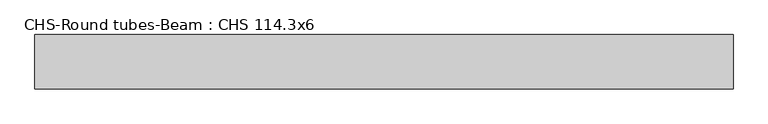
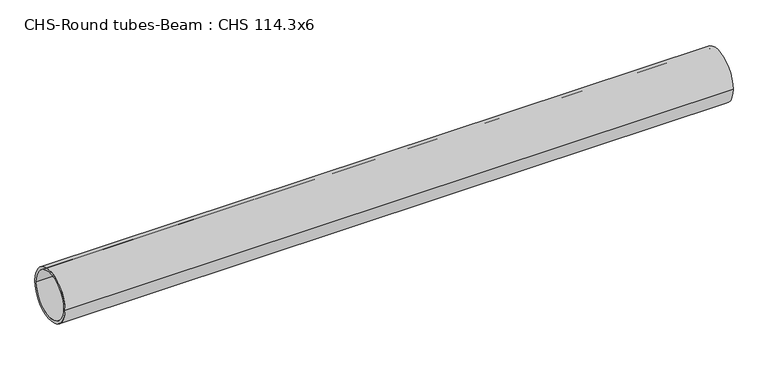
"""IFC4 building model written with IfcOpenShell, lengths in millimetres: beam geometry, CHS-Round tubes-Beam : CHS 114.3x6."""

import ifcopenshell
import ifcopenshell.guid

model = None  # the IFC model being written
_history = None  # IfcOwnerHistory: only IFC2X3 demands one
_inside = {}  # id of a spatial element -> (the spatial element, [elements in it])
_under = {}  # id of a project, library or spatial element -> (it, [spatial elements below it])
_declared = {}  # id of a project -> (the project, [libraries it declares])
_typed = {}  # id of a type object -> (the type object, [elements of that type])
_made_of = {}  # id of a material, layer set ... -> (it, [elements and type objects made of it])


def new_model(schema):
    """Start an empty IFC model of exactly this schema.

    Asked for "IFC4X3", IfcOpenShell would pick the latest addendum, in which some entities
    have other attributes; the version numbers below select the first issue.
    IFC2X3 requires an IfcOwnerHistory on every rooted entity: one is made here for all.
    """
    global model, _history
    if schema == "IFC4X3":
        model = ifcopenshell.file(schema_version=(4, 3, 0, 0))
    else:
        model = ifcopenshell.file(schema=schema)
    _inside.clear()
    _under.clear()
    _declared.clear()
    _typed.clear()
    _made_of.clear()
    _history = None
    if model.schema == "IFC2X3":
        org = make("IfcOrganization", Name="unknown")
        user = make(
            "IfcPersonAndOrganization",
            ThePerson=make("IfcPerson", FamilyName="unknown"),
            TheOrganization=org,
        )
        app = make(
            "IfcApplication",
            ApplicationDeveloper=org,
            Version="unknown",
            ApplicationFullName="unknown",
            ApplicationIdentifier="unknown",
        )
        _history = make(
            "IfcOwnerHistory",
            OwningUser=user,
            OwningApplication=app,
            ChangeAction="ADDED",
            CreationDate=0,
        )
    return model


def make(cls, **values):
    """One entity of the class cls with the attributes given. An attribute that is None is left unset."""
    return model.create_entity(
        cls, **{name: value for name, value in values.items() if value is not None}
    )


def rooted(cls, **values):
    """An entity with a GlobalId (a new one), such as an element, a storey or a relation."""
    return make(cls, GlobalId=ifcopenshell.guid.new(), OwnerHistory=_history, **values)


def si_unit(unit_type, name, prefix=None):
    """IfcSIUnit, for example si_unit("LENGTHUNIT", "METRE", prefix="MILLI")."""
    return make("IfcSIUnit", UnitType=unit_type, Prefix=prefix, Name=name)


def assignment(units):
    """IfcUnitAssignment: the units of a project."""
    return None if units is None else make("IfcUnitAssignment", Units=units)


def point(xyz):
    """IfcCartesianPoint."""
    return None if xyz is None else make("IfcCartesianPoint", Coordinates=xyz)


def direction(xyz):
    """IfcDirection."""
    return None if xyz is None else make("IfcDirection", DirectionRatios=xyz)


def frame(location, z_axis=None, x_axis=None):
    """IfcAxis2Placement3D, a coordinate frame: its origin and axes. An axis left out is left unset."""
    return make(
        "IfcAxis2Placement3D",
        Location=point(location),
        Axis=direction(z_axis),
        RefDirection=direction(x_axis),
    )


def frame_2d(location, x_axis=None):
    """IfcAxis2Placement2D, a coordinate frame in the plane: its origin and x axis."""
    return make(
        "IfcAxis2Placement2D", Location=point(location), RefDirection=direction(x_axis)
    )


def origin():
    """The frame at (0, 0, 0) with its axes left unset."""
    return frame((0.0, 0.0, 0.0))


def origin_2d():
    """The frame at (0, 0) in the plane with its x axis left unset."""
    return frame_2d((0.0, 0.0))


def place(relative_to, where):
    """IfcLocalPlacement: puts the frame where relative to a parent placement (None: the world)."""
    return make(
        "IfcLocalPlacement", PlacementRelTo=relative_to, RelativePlacement=where
    )


def context(
    kind, dimensions, precision=None, world=None, true_north=None, identifier=None
):
    """IfcGeometricRepresentationContext, for example the 3D "Model" context."""
    return make(
        "IfcGeometricRepresentationContext",
        ContextIdentifier=identifier,
        ContextType=kind,
        CoordinateSpaceDimension=dimensions,
        Precision=precision,
        WorldCoordinateSystem=world,
        TrueNorth=true_north,
    )


def project(units=None, contexts=None):
    """IfcProject with its units and contexts."""
    return rooted(
        "IfcProject",
        Name="project",
        RepresentationContexts=contexts,
        UnitsInContext=assignment(units),
    )


def spatial(cls, under=None, at=None, **own):
    """A site, building, storey or space (cls), placed at a placement, below another one or the project."""
    s = rooted(cls, ObjectPlacement=at, **own)
    if under is not None:
        _under.setdefault(under.id(), (under, []))[1].append(s)
    return s


def circle_curve(where, radius):
    """IfcCircle in the frame where."""
    return make("IfcCircle", Position=where, Radius=radius)


def trimmed(basis, trim1, trim2, sense, master):
    """IfcTrimmedCurve: the piece of a basis curve between two trims."""
    return make(
        "IfcTrimmedCurve",
        BasisCurve=basis,
        Trim1=trim1,
        Trim2=trim2,
        SenseAgreement=sense,
        MasterRepresentation=master,
    )


def segment(curve, same_sense, transition):
    """IfcCompositeCurveSegment."""
    return make(
        "IfcCompositeCurveSegment",
        Transition=transition,
        SameSense=same_sense,
        ParentCurve=curve,
    )


def composite_curve(segments, self_intersect=None):
    """IfcCompositeCurve: segments joined end to end."""
    return make("IfcCompositeCurve", Segments=segments, SelfIntersect=self_intersect)


def outline(outer, holes=None, kind="AREA"):
    """IfcArbitraryClosedProfileDef: a profile drawn as a closed curve; with holes, ...WithVoids."""
    if holes is None:
        return make("IfcArbitraryClosedProfileDef", ProfileType=kind, OuterCurve=outer)
    return make(
        "IfcArbitraryProfileDefWithVoids",
        ProfileType=kind,
        OuterCurve=outer,
        InnerCurves=holes,
    )


def extrude(swept, where, along, depth):
    """IfcExtrudedAreaSolid: the profile swept, set in the frame where, extruded along a direction by depth."""
    return make(
        "IfcExtrudedAreaSolid",
        SweptArea=swept,
        Position=where,
        ExtrudedDirection=direction(along),
        Depth=depth,
    )


def shape(context_of_items, identifier, shape_type, items):
    """IfcShapeRepresentation: the items that make up one representation, for example the "Body"."""
    return make(
        "IfcShapeRepresentation",
        ContextOfItems=context_of_items,
        RepresentationIdentifier=identifier,
        RepresentationType=shape_type,
        Items=items,
    )


def source(mapping_origin, context_of_items, identifier, shape_type, items):
    """IfcRepresentationMap: a shape defined once, which mapped items show again and again."""
    return make(
        "IfcRepresentationMap",
        MappingOrigin=mapping_origin,
        MappedRepresentation=shape(context_of_items, identifier, shape_type, items),
    )


def transform(
    local_origin,
    x_axis=None,
    y_axis=None,
    z_axis=None,
    scale=None,
    scale2=None,
    scale3=None,
    uniform=True,
):
    """IfcCartesianTransformationOperator3D, or its non-uniform kind. x_axis, y_axis, z_axis: its Axis1, 2, 3."""
    if uniform:
        return make(
            "IfcCartesianTransformationOperator3D",
            Axis1=direction(x_axis),
            Axis2=direction(y_axis),
            LocalOrigin=point(local_origin),
            Scale=scale,
            Axis3=direction(z_axis),
        )
    return make(
        "IfcCartesianTransformationOperator3DnonUniform",
        Axis1=direction(x_axis),
        Axis2=direction(y_axis),
        LocalOrigin=point(local_origin),
        Scale=scale,
        Axis3=direction(z_axis),
        Scale2=scale2,
        Scale3=scale3,
    )


def mapped(mapping_source, mapping_target):
    """IfcMappedItem: shows the shape of a source again, moved by a transform."""
    return make(
        "IfcMappedItem", MappingSource=mapping_source, MappingTarget=mapping_target
    )


def made_of(thing, what):
    """Note that an element or type object is made of a material, layer set ...; save() writes the relation."""
    if what is not None:
        _made_of.setdefault(what.id(), (what, []))[1].append(thing)
    return thing


def element(
    cls,
    number,
    at=None,
    inside=None,
    cuts=None,
    type_object=None,
    material=None,
    context=None,
    identifier="Body",
    shape_type=None,
    held_by="IfcProductDefinitionShape",
    body=None,
    shapes=None,
    **own,
):
    """One element of the class cls, such as IfcWall. Its Tag is "e" and its number.

    at: its placement. inside: the storey or other place that contains it. cuts: it is an
    opening in that element (IfcRelVoidsElement). A single representation is given by context,
    identifier, shape_type and body (its items); several are given by shapes. held_by: the class
    of the entity that holds the representations. save() writes the other relations.
    """
    e = rooted(cls, Tag="e%d" % number, ObjectPlacement=at, **own)
    if body is not None:
        shapes = [shape(context, identifier, shape_type, body)]
    if shapes is not None:
        e.Representation = make(held_by, Representations=shapes)
    if inside is not None:
        _inside.setdefault(inside.id(), (inside, []))[1].append(e)
    if cuts is not None:
        rooted(
            "IfcRelVoidsElement", RelatingBuildingElement=cuts, RelatedOpeningElement=e
        )
    if type_object is not None:
        _typed.setdefault(type_object.id(), (type_object, []))[1].append(e)
    return made_of(e, material)


def aggregate(whole, parts):
    """IfcRelAggregates: a whole, such as a stair, and the parts it consists of."""
    return rooted("IfcRelAggregates", RelatingObject=whole, RelatedObjects=parts)


def save(model, path):
    """Write the relations noted so far, then the file.

    IfcRelAggregates (storeys below a building ...), IfcRelContainedInSpatialStructure (elements
    in a storey), IfcRelDefinesByType, IfcRelAssociatesMaterial and IfcRelDeclares: one each for
    every whole, place, type object, material and project.
    """
    for whole, parts in _under.values():
        aggregate(whole, parts)
    for where, things in _inside.values():
        rooted(
            "IfcRelContainedInSpatialStructure",
            RelatedElements=things,
            RelatingStructure=where,
        )
    for kind, things in _typed.values():
        rooted("IfcRelDefinesByType", RelatedObjects=things, RelatingType=kind)
    for what, things in _made_of.values():
        rooted("IfcRelAssociatesMaterial", RelatedObjects=things, RelatingMaterial=what)
    for by, libraries in _declared.values():
        rooted("IfcRelDeclares", RelatingContext=by, RelatedDefinitions=libraries)
    model.write(path)


def chs_round_tubes_beam_chs_114_3x6_d549414c(model_context):
    return source(origin(), model_context, "Body", "SweptSolid", [
        extrude(outline(composite_curve([segment(trimmed(circle_curve(origin_2d(), 57.15), [point((57.15, 0.0))], [point((-57.15, 0.0))], False, "CARTESIAN"), True, "CONTINUOUS"), segment(trimmed(circle_curve(origin_2d(), 57.15), [point((-57.15, 0.0))], [point((57.15, 0.0))], False, "CARTESIAN"), True, "CONTINUOUS")], self_intersect=False), holes=[composite_curve([segment(trimmed(circle_curve(origin_2d(), 51.15), [point((51.15, 0.0))], [point((-51.15, 0.0))], True, "CARTESIAN"), True, "CONTINUOUS"), segment(trimmed(circle_curve(origin_2d(), 51.15), [point((-51.15, 0.0))], [point((51.15, 0.0))], True, "CARTESIAN"), True, "CONTINUOUS")], self_intersect=False)]), frame((-774.1850172, 0.0, 0.0), z_axis=(1.0, 0.0, 0.0), x_axis=(0.0, 1.0, 0.0)), (0.0, 0.0, 1.0), 1466.6187342),
    ])


if __name__ == "__main__":
    model = new_model("IFC4")
    model_context = context("Model", 3, world=origin())
    ifc_project = project(units=[si_unit("LENGTHUNIT", "METRE", prefix="MILLI")], contexts=[model_context])
    site = spatial("IfcSite", under=ifc_project)
    building = spatial("IfcBuilding", under=site)
    placement = place(None, origin())
    chs_round_tubes_beam_chs_114_3x6_shape = chs_round_tubes_beam_chs_114_3x6_d549414c(model_context)
    element("IfcBeam", 1, ObjectType="CHS-Round tubes-Beam : CHS 114.3x6", at=placement, inside=building, context=model_context, shape_type="MappedRepresentation", body=[
        mapped(chs_round_tubes_beam_chs_114_3x6_shape, transform((0.0, 0.0, 0.0), x_axis=(1.0, 0.0, 0.0), y_axis=(0.0, 1.0, 0.0), z_axis=(0.0, 0.0, 1.0))),
    ])
    save(model, "model.ifc")
